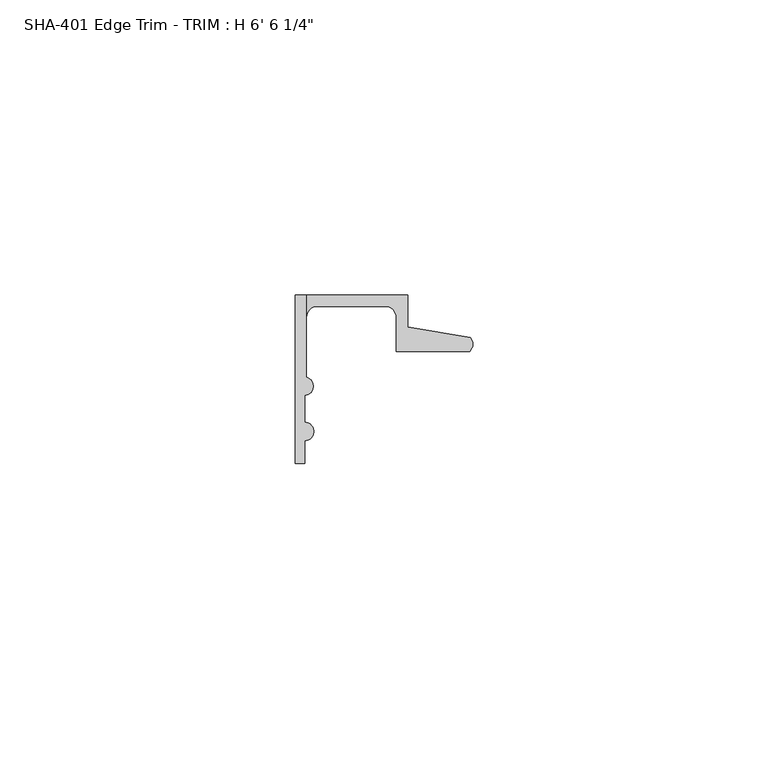
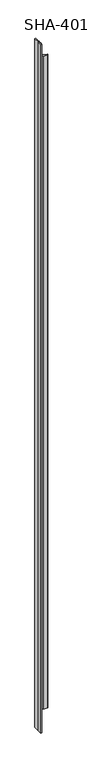
"""IFC4 building model written with IfcOpenShell, lengths in millimetres: proxy geometry."""

from ifc_helpers import new_model, si_unit, frame, origin, place, context, project, spatial, polyline, circle_curve, source, transform, mapped, element, save
from ifc_brep_helpers import plane_surface, cylinder_surface, revolved_surface, advanced_brep


def proxy_b3d6412a(model_context):
    return source(origin(), model_context, "Body", "AdvancedBrep", [
        advanced_brep(
        [(0.0, 0.0, 1987.55), (0.0, -13.8696178, 1987.55), (0.0, -28.575, 1987.55), (1.5748, -28.575, 1987.55), (1.5748, -24.7045919, 1987.55), (1.5748, -21.5549919, 1987.55), (1.5748, -17.018, 1987.55), (1.905, -13.9230434, 1987.55), (1.905, 0.0, 1987.55), (1.905, 0.0, 0.0), (1.905, -13.9230434, 0.0), (1.5748, -17.018, 0.0), (1.5748, -21.5549919, 0.0), (1.5748, -24.7045919, 0.0), (1.5748, -28.575, 0.0), (0.0, -28.575, 0.0), (0.0, -13.8696178, 0.0), (0.0, 0.0, 0.0), (1.905, 0.0, 1936.75), (1.905, -3.81, 1936.75), (3.81, -1.905, 1936.75), (15.2146, -1.905, 1936.75), (17.1196, -3.81, 1936.75), (17.1196, -9.525, 1936.75), (29.5346031, -9.525, 1936.75), (29.6006869, -7.2036308, 1936.75), (19.0246, -5.392657, 1936.75), (19.0246, 0.0, 1936.75), (1.905, -3.81, 50.8), (1.905, 0.0, 50.8), (19.0246, 0.0, 50.8), (19.0246, -5.392657, 50.8), (29.6006869, -7.2036308, 50.8), (29.5346031, -9.525, 50.8), (17.1196, -9.525, 50.8), (17.1196, -3.81, 50.8), (15.2146, -1.905, 50.8), (3.81, -1.905, 50.8)],
        [
            (0, 1),
            (1, 2),
            (2, 3),
            (3, 4),
            (4, 5, circle_curve(frame((1.5748, -23.1297919, 1987.55), z_axis=(0.0, 0.0, 1.0), x_axis=(0.0, 1.0, 0.0)), 1.5748)),
            (5, 6),
            (6, 7, circle_curve(frame((1.4838146, -15.4432, 1987.55), z_axis=(0.0, 0.0, 1.0), x_axis=(0.0, 1.0, 0.0)), 1.5774262)),
            (7, 8),
            (8, 0),
            (9, 10),
            (10, 11, circle_curve(frame((1.4838146, -15.4432, 0.0), z_axis=(0.0, 0.0, -1.0), x_axis=(0.0, 1.0, 0.0)), 1.5774262)),
            (11, 12),
            (12, 13, circle_curve(frame((1.5748, -23.1297919, 0.0), z_axis=(0.0, 0.0, -1.0), x_axis=(0.0, 1.0, 0.0)), 1.5748)),
            (13, 14),
            (14, 15),
            (15, 16),
            (16, 17),
            (17, 9),
            (18, 19),
            (19, 20, circle_curve(frame((3.81, -3.81, 1936.75), z_axis=(0.0, 0.0, -1.0), x_axis=(0.0, 1.0, 0.0)), 1.905)),
            (20, 21),
            (21, 22, circle_curve(frame((15.2146, -3.81, 1936.75), z_axis=(0.0, 0.0, -1.0), x_axis=(0.0, 1.0, 0.0)), 1.905)),
            (22, 23),
            (23, 24),
            (24, 25, circle_curve(frame((28.4438454, -8.3323235, 1936.75), z_axis=(0.0, 0.0, 1.0), x_axis=(0.0, 1.0, 0.0)), 1.6162393)),
            (25, 26),
            (26, 27),
            (27, 18),
            (28, 29),
            (29, 30),
            (30, 31),
            (31, 32),
            (32, 33, circle_curve(frame((28.4438454, -8.3323235, 50.8), z_axis=(0.0, 0.0, -1.0), x_axis=(0.0, 1.0, 0.0)), 1.6162393)),
            (33, 34),
            (34, 35),
            (35, 36, circle_curve(frame((15.2146, -3.81, 50.8), z_axis=(0.0, 0.0, 1.0), x_axis=(0.0, 1.0, 0.0)), 1.905)),
            (36, 37),
            (37, 28, circle_curve(frame((3.81, -3.81, 50.8), z_axis=(0.0, 0.0, 1.0), x_axis=(0.0, 1.0, 0.0)), 1.905)),
            (25, 32),
            (31, 26),
            (30, 27),
            (17, 0),
            (8, 18),
            (29, 9),
            (16, 1),
            (15, 2),
            (14, 3),
            (13, 4),
            (12, 5),
            (11, 6),
            (10, 7),
            (28, 19),
            (37, 20),
            (36, 21),
            (35, 22),
            (34, 23),
            (33, 24),
        ],
        [
            plane_surface(frame((29.6006869, -7.2036308, 1987.55), z_axis=(0.0, 0.0, 1.0000000000000002), x_axis=(-0.9856543593991558, 0.16877643140391388, 0.0))),
            plane_surface(frame((29.6006869, -7.2036308, 0.0), z_axis=(0.0, 0.0, -1.0000000000000002), x_axis=(0.9856543593991558, -0.16877643140391388, 0.0))),
            plane_surface(frame((1.905, -9.525, 1936.75), z_axis=(0.0, 0.0, 1.0), x_axis=(0.0, 1.0, 0.0))),
            plane_surface(frame((30.1393415, -9.525, 50.8), z_axis=(0.0, 0.0, -1.0), x_axis=(0.0, 1.0, 0.0))),
            plane_surface(frame((29.6006869, -7.2036308, 1987.55), z_axis=(0.16877643140391388, 0.9856543593991558, 0.0), x_axis=(0.0, 0.0, -1.0))),
            plane_surface(frame((19.0246, -5.392657, 1987.55), z_axis=(1.0, 0.0, 0.0), x_axis=(0.0, 0.0, -1.0))),
            plane_surface(frame((19.0246, 0.0, 1987.55), z_axis=(0.0, 1.0, 0.0), x_axis=(0.0, 0.0, -1.0))),
            plane_surface(frame((0.0, 0.0, 1987.55), z_axis=(-1.0, 0.0, 0.0), x_axis=(0.0, 0.0, -1.0))),
            plane_surface(frame((0.0, -13.8696178, 1987.55), z_axis=(-1.0, 0.0, 0.0), x_axis=(0.0, 0.0, -1.0))),
            plane_surface(frame((0.0, -28.575, 1987.55), z_axis=(0.0, -1.0, 0.0), x_axis=(0.0, 0.0, -1.0))),
            plane_surface(frame((1.5748, -28.575, 1987.55), z_axis=(1.0, 0.0, 0.0), x_axis=(0.0, 0.0, -1.0))),
            cylinder_surface(frame((1.5748, -23.1297919, 0.0), z_axis=(0.0, 0.0, 1.0), x_axis=(0.0, 1.0, 0.0)), 1.5748),
            plane_surface(frame((1.5748, -21.5549919, 1987.55), z_axis=(1.0, 0.0, 0.0), x_axis=(0.0, 0.0, -1.0))),
            cylinder_surface(frame((1.4838146, -15.4432, 0.0), z_axis=(0.0, 0.0, 1.0), x_axis=(0.0, 1.0, 0.0)), 1.5774262),
            plane_surface(frame((1.905, -13.9230434, 1987.55), z_axis=(1.0, 0.0, 0.0), x_axis=(0.0, 0.0, -1.0))),
            revolved_surface(polyline([(3.81, -1.905, 50.8), (3.81, -1.905, 1936.75)]), (3.81, -3.81, 0.0), (0.0, 0.0, -1.0)),
            plane_surface(frame((3.81, -1.905, 1987.55), z_axis=(0.0, -1.0, 0.0), x_axis=(0.0, 0.0, -1.0))),
            revolved_surface(polyline([(15.2146, -1.905, 50.8), (15.2146, -1.905, 1936.75)]), (15.2146, -3.81, 0.0), (0.0, 0.0, -1.0)),
            plane_surface(frame((17.1196, -3.81, 1987.55), z_axis=(-1.0, 0.0, 0.0), x_axis=(0.0, 0.0, -1.0))),
            plane_surface(frame((17.1196, -9.525, 1987.55), z_axis=(0.0, -1.0, 0.0), x_axis=(0.0, 0.0, -1.0))),
            cylinder_surface(frame((28.4438454, -8.3323235, 0.0), z_axis=(0.0, 0.0, 1.0), x_axis=(0.0, 1.0, 0.0)), 1.6162393),
        ],
        [
            (0, [[1, 2, 3, 4, 5, 6, 7, 8, 9]]),
            (1, [[10, 11, 12, 13, 14, 15, 16, 17, 18]]),
            (2, [[19, 20, 21, 22, 23, 24, 25, 26, 27, 28]]),
            (3, [[29, 30, 31, 32, 33, 34, 35, 36, 37, 38]]),
            (4, [[39, -32, 40, -26]]),
            (5, [[-40, -31, 41, -27]]),
            (6, [[42, -9, 43, -28, -41, -30, 44, -18]]),
            (7, [[-1, -42, -17, 45]]),
            (8, [[-2, -45, -16, 46]]),
            (9, [[-3, -46, -15, 47]]),
            (10, [[-4, -47, -14, 48]]),
            (11, [[-5, -48, -13, 49]]),
            (12, [[-6, -49, -12, 50]]),
            (13, [[-7, -50, -11, 51]]),
            (14, [[-51, -10, -44, -29, 52, -19, -43, -8]]),
            (15, [[-52, -38, 53, -20]]),
            (16, [[-53, -37, 54, -21]]),
            (17, [[-54, -36, 55, -22]]),
            (18, [[-55, -35, 56, -23]]),
            (19, [[-56, -34, 57, -24]]),
            (20, [[-39, -25, -57, -33]]),
        ],
    ),
    ])


if __name__ == "__main__":
    model = new_model("IFC4")
    model_context = context("Model", 3, world=origin())
    ifc_project = project(units=[si_unit("LENGTHUNIT", "METRE", prefix="MILLI")], contexts=[model_context])
    site = spatial("IfcSite", under=ifc_project)
    building = spatial("IfcBuilding", under=site)
    placement = place(None, origin())
    proxy_shape = proxy_b3d6412a(model_context)
    element("IfcBuildingElementProxy", 1, Name="SHA-401 Edge Trim - TRIM : H 6' 6 1/4\"", ObjectType="SHA-401 Edge Trim - TRIM : H 6' 6 1/4\"", at=placement, inside=building, context=model_context, shape_type="MappedRepresentation", body=[
        mapped(proxy_shape, transform((0.0, 0.0, 0.0), x_axis=(1.0, 0.0, 0.0), y_axis=(0.0, 1.0, 0.0), z_axis=(0.0, 0.0, 1.0))),
    ])
    save(model, "model.ifc")
